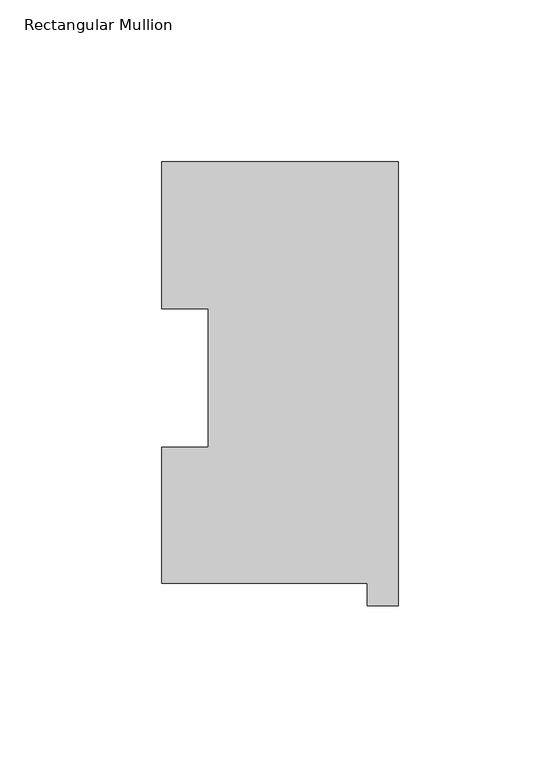
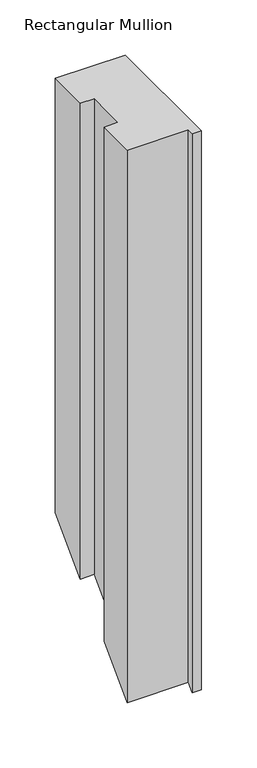
"""IFC4 building model written with IfcOpenShell, lengths in millimetres: member geometry, Rectangular Mullion."""

from ifc_helpers import new_model, si_unit, origin, place, context, project, spatial, faceted_brep, source, transform, mapped, element, save


def rectangular_mullion_c3ded6f0(model_context):
    return source(origin(), model_context, "Body", "Brep", [
        faceted_brep([(-9.525, 0.04445, 0.0), (-9.525, -6.86435, 0.0), (0.0, -6.86435, 0.0), (0.0, 130.34645, 0.0), (-73.025, 130.34645, 0.0), (-73.025, 84.93125, 0.0), (-58.7502, 84.93125, 0.0), (-58.7502, 42.08145, 0.0), (-73.025, 42.08145, 0.0), (-73.025, 0.04445, 0.0), (-9.525, 0.04445, -609.55555), (-9.525, -6.86435, -616.46435), (0.0, -6.86435, -616.46435), (0.0, 130.34645, -479.25355), (-73.025, 130.34645, -479.25355), (-73.025, 84.93125, -524.66875), (-58.7502, 84.93125, -524.66875), (-58.7502, 42.08145, -567.51855), (-73.025, 42.08145, -567.51855), (-73.025, 0.04445, -609.55555)], [[[0, 1, 2, 3, 4, 5, 6, 7, 8, 9]], [[1, 0, 10, 11]], [[2, 1, 11, 12]], [[3, 2, 12, 13]], [[4, 3, 13, 14]], [[5, 4, 14, 15]], [[6, 5, 15, 16]], [[7, 6, 16, 17]], [[8, 7, 17, 18]], [[9, 8, 18, 19]], [[0, 9, 19, 10]], [[10, 19, 18, 17, 16, 15, 14, 13, 12, 11]]]),
    ])


if __name__ == "__main__":
    model = new_model("IFC4")
    model_context = context("Model", 3, world=origin())
    ifc_project = project(units=[si_unit("LENGTHUNIT", "METRE", prefix="MILLI")], contexts=[model_context])
    site = spatial("IfcSite", under=ifc_project)
    building = spatial("IfcBuilding", under=site)
    placement = place(None, origin())
    rectangular_mullion_shape = rectangular_mullion_c3ded6f0(model_context)
    element("IfcMember", 1, ObjectType="Rectangular Mullion", at=placement, inside=building, context=model_context, shape_type="MappedRepresentation", body=[
        mapped(rectangular_mullion_shape, transform((0.0, 0.0, 0.0), x_axis=(1.0, 0.0, 0.0), y_axis=(0.0, 1.0, 0.0), z_axis=(0.0, 0.0, 1.0))),
    ])
    save(model, "model.ifc")
